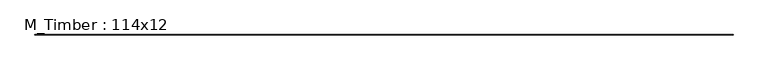
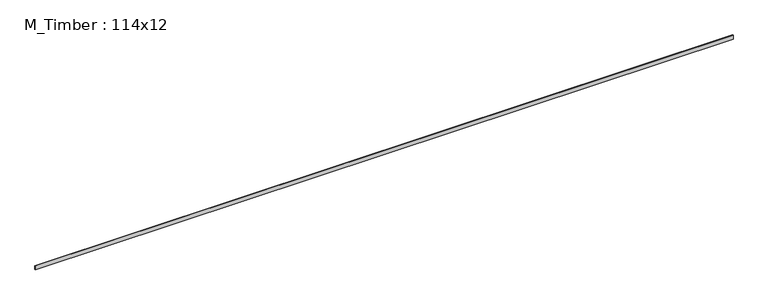
"""IFC4 building model written with IfcOpenShell, lengths in millimetres: beam geometry, M_Timber : 114x12."""

from ifc_helpers import new_model, si_unit, frame, origin, place, context, project, spatial, polyline, outline, extrude, source, transform, mapped, element, save


def m_timber_114x12_c4a2a912(model_context):
    return source(origin(), model_context, "Body", "SweptSolid", [
        extrude(outline(polyline([(9510.0, 6.0), (9510.0, -6.0), (-9516.0, -6.0), (-9516.0, 6.0), (9510.0, 6.0)])), frame((0.0, 0.0, -57.0), z_axis=(0.0, 0.0, 1.0), x_axis=(1.0, 0.0, 0.0)), (0.0, 0.0, 1.0), 114.0),
    ])


if __name__ == "__main__":
    model = new_model("IFC4")
    model_context = context("Model", 3, world=origin())
    ifc_project = project(units=[si_unit("LENGTHUNIT", "METRE", prefix="MILLI")], contexts=[model_context])
    site = spatial("IfcSite", under=ifc_project)
    building = spatial("IfcBuilding", under=site)
    placement = place(None, origin())
    m_timber_114x12_shape = m_timber_114x12_c4a2a912(model_context)
    element("IfcBeam", 1, ObjectType="M_Timber : 114x12", at=placement, inside=building, context=model_context, shape_type="MappedRepresentation", body=[
        mapped(m_timber_114x12_shape, transform((0.0, 0.0, 0.0), x_axis=(1.0, 0.0, 0.0), y_axis=(0.0, 1.0, 0.0), z_axis=(0.0, 0.0, 1.0))),
    ])
    save(model, "model.ifc")
